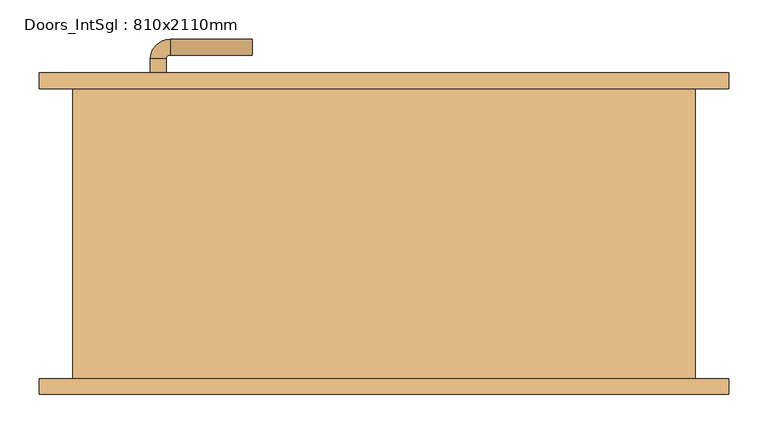
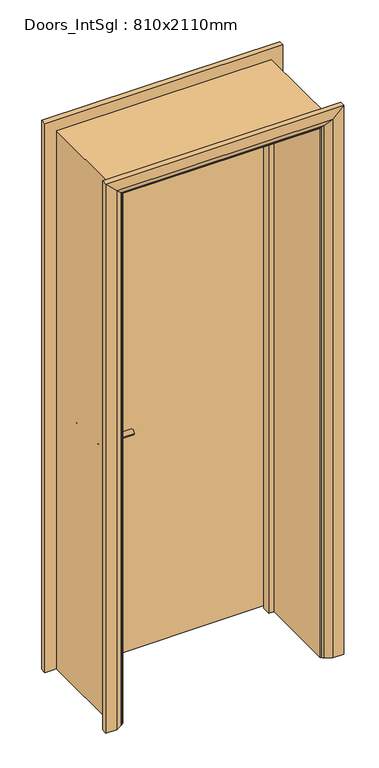
"""IFC4 building model written with IfcOpenShell, lengths in millimetres: door geometry, Doors_IntSgl : 810x2110mm."""

import ifcopenshell
import ifcopenshell.guid

model = None  # the IFC model being written
_history = None  # IfcOwnerHistory: only IFC2X3 demands one
_inside = {}  # id of a spatial element -> (the spatial element, [elements in it])
_under = {}  # id of a project, library or spatial element -> (it, [spatial elements below it])
_declared = {}  # id of a project -> (the project, [libraries it declares])
_typed = {}  # id of a type object -> (the type object, [elements of that type])
_made_of = {}  # id of a material, layer set ... -> (it, [elements and type objects made of it])


def new_model(schema):
    """Start an empty IFC model of exactly this schema.

    Asked for "IFC4X3", IfcOpenShell would pick the latest addendum, in which some entities
    have other attributes; the version numbers below select the first issue.
    IFC2X3 requires an IfcOwnerHistory on every rooted entity: one is made here for all.
    """
    global model, _history
    if schema == "IFC4X3":
        model = ifcopenshell.file(schema_version=(4, 3, 0, 0))
    else:
        model = ifcopenshell.file(schema=schema)
    _inside.clear()
    _under.clear()
    _declared.clear()
    _typed.clear()
    _made_of.clear()
    _history = None
    if model.schema == "IFC2X3":
        org = make("IfcOrganization", Name="unknown")
        user = make(
            "IfcPersonAndOrganization",
            ThePerson=make("IfcPerson", FamilyName="unknown"),
            TheOrganization=org,
        )
        app = make(
            "IfcApplication",
            ApplicationDeveloper=org,
            Version="unknown",
            ApplicationFullName="unknown",
            ApplicationIdentifier="unknown",
        )
        _history = make(
            "IfcOwnerHistory",
            OwningUser=user,
            OwningApplication=app,
            ChangeAction="ADDED",
            CreationDate=0,
        )
    return model


def make(cls, **values):
    """One entity of the class cls with the attributes given. An attribute that is None is left unset."""
    return model.create_entity(
        cls, **{name: value for name, value in values.items() if value is not None}
    )


def rooted(cls, **values):
    """An entity with a GlobalId (a new one), such as an element, a storey or a relation."""
    return make(cls, GlobalId=ifcopenshell.guid.new(), OwnerHistory=_history, **values)


def si_unit(unit_type, name, prefix=None):
    """IfcSIUnit, for example si_unit("LENGTHUNIT", "METRE", prefix="MILLI")."""
    return make("IfcSIUnit", UnitType=unit_type, Prefix=prefix, Name=name)


def assignment(units):
    """IfcUnitAssignment: the units of a project."""
    return None if units is None else make("IfcUnitAssignment", Units=units)


def point(xyz):
    """IfcCartesianPoint."""
    return None if xyz is None else make("IfcCartesianPoint", Coordinates=xyz)


def direction(xyz):
    """IfcDirection."""
    return None if xyz is None else make("IfcDirection", DirectionRatios=xyz)


def frame(location, z_axis=None, x_axis=None):
    """IfcAxis2Placement3D, a coordinate frame: its origin and axes. An axis left out is left unset."""
    return make(
        "IfcAxis2Placement3D",
        Location=point(location),
        Axis=direction(z_axis),
        RefDirection=direction(x_axis),
    )


def frame_2d(location, x_axis=None):
    """IfcAxis2Placement2D, a coordinate frame in the plane: its origin and x axis."""
    return make(
        "IfcAxis2Placement2D", Location=point(location), RefDirection=direction(x_axis)
    )


def origin():
    """The frame at (0, 0, 0) with its axes left unset."""
    return frame((0.0, 0.0, 0.0))


def place(relative_to, where):
    """IfcLocalPlacement: puts the frame where relative to a parent placement (None: the world)."""
    return make(
        "IfcLocalPlacement", PlacementRelTo=relative_to, RelativePlacement=where
    )


def context(
    kind, dimensions, precision=None, world=None, true_north=None, identifier=None
):
    """IfcGeometricRepresentationContext, for example the 3D "Model" context."""
    return make(
        "IfcGeometricRepresentationContext",
        ContextIdentifier=identifier,
        ContextType=kind,
        CoordinateSpaceDimension=dimensions,
        Precision=precision,
        WorldCoordinateSystem=world,
        TrueNorth=true_north,
    )


def project(units=None, contexts=None):
    """IfcProject with its units and contexts."""
    return rooted(
        "IfcProject",
        Name="project",
        RepresentationContexts=contexts,
        UnitsInContext=assignment(units),
    )


def spatial(cls, under=None, at=None, **own):
    """A site, building, storey or space (cls), placed at a placement, below another one or the project."""
    s = rooted(cls, ObjectPlacement=at, **own)
    if under is not None:
        _under.setdefault(under.id(), (under, []))[1].append(s)
    return s


def polyline(points):
    """IfcPolyline through the points."""
    return make("IfcPolyline", Points=[point(p) for p in points])


def circle_curve(where, radius):
    """IfcCircle in the frame where."""
    return make("IfcCircle", Position=where, Radius=radius)


def ellipse_curve(where, semi_axis1, semi_axis2):
    """IfcEllipse in the frame where."""
    return make(
        "IfcEllipse", Position=where, SemiAxis1=semi_axis1, SemiAxis2=semi_axis2
    )


def trimmed(basis, trim1, trim2, sense, master):
    """IfcTrimmedCurve: the piece of a basis curve between two trims."""
    return make(
        "IfcTrimmedCurve",
        BasisCurve=basis,
        Trim1=trim1,
        Trim2=trim2,
        SenseAgreement=sense,
        MasterRepresentation=master,
    )


def segment(curve, same_sense, transition):
    """IfcCompositeCurveSegment."""
    return make(
        "IfcCompositeCurveSegment",
        Transition=transition,
        SameSense=same_sense,
        ParentCurve=curve,
    )


def composite_curve(segments, self_intersect=None):
    """IfcCompositeCurve: segments joined end to end."""
    return make("IfcCompositeCurve", Segments=segments, SelfIntersect=self_intersect)


def outline(outer, holes=None, kind="AREA"):
    """IfcArbitraryClosedProfileDef: a profile drawn as a closed curve; with holes, ...WithVoids."""
    if holes is None:
        return make("IfcArbitraryClosedProfileDef", ProfileType=kind, OuterCurve=outer)
    return make(
        "IfcArbitraryProfileDefWithVoids",
        ProfileType=kind,
        OuterCurve=outer,
        InnerCurves=holes,
    )


def extrude(swept, where, along, depth):
    """IfcExtrudedAreaSolid: the profile swept, set in the frame where, extruded along a direction by depth."""
    return make(
        "IfcExtrudedAreaSolid",
        SweptArea=swept,
        Position=where,
        ExtrudedDirection=direction(along),
        Depth=depth,
    )


def faces_of(points, faces, orient=None, outer=None):
    """IfcFace entities. A face is a list of loops; a loop is a list of indices into points, from 0.

    orient and outer hold one flag for each loop. By default every Orientation is true, the
    first loop of a face is its IfcFaceOuterBound and the others are IfcFaceBound.
    """
    made = []
    for i, loops in enumerate(faces):
        bounds = []
        for j, loop in enumerate(loops):
            is_outer = j == 0 if outer is None else outer[i][j]
            bounds.append(
                make(
                    "IfcFaceOuterBound" if is_outer else "IfcFaceBound",
                    Bound=make("IfcPolyLoop", Polygon=[points[k] for k in loop]),
                    Orientation=True if orient is None else orient[i][j],
                )
            )
        made.append(make("IfcFace", Bounds=bounds))
    return made


def faceted_brep(points, faces, orient=None, outer=None, voids=None):
    """IfcFacetedBrep: a solid bounded by flat faces; with voids (closed shells), ...WithVoids."""
    shared = [point(p) for p in points]
    hull = make("IfcClosedShell", CfsFaces=faces_of(shared, faces, orient, outer))
    if voids is None:
        return make("IfcFacetedBrep", Outer=hull)
    return make(
        "IfcFacetedBrepWithVoids",
        Outer=hull,
        Voids=[
            make(cls, CfsFaces=faces_of(shared, fs, o, b)) for cls, fs, o, b in voids
        ],
    )


def shape(context_of_items, identifier, shape_type, items):
    """IfcShapeRepresentation: the items that make up one representation, for example the "Body"."""
    return make(
        "IfcShapeRepresentation",
        ContextOfItems=context_of_items,
        RepresentationIdentifier=identifier,
        RepresentationType=shape_type,
        Items=items,
    )


def source(mapping_origin, context_of_items, identifier, shape_type, items):
    """IfcRepresentationMap: a shape defined once, which mapped items show again and again."""
    return make(
        "IfcRepresentationMap",
        MappingOrigin=mapping_origin,
        MappedRepresentation=shape(context_of_items, identifier, shape_type, items),
    )


def transform(
    local_origin,
    x_axis=None,
    y_axis=None,
    z_axis=None,
    scale=None,
    scale2=None,
    scale3=None,
    uniform=True,
):
    """IfcCartesianTransformationOperator3D, or its non-uniform kind. x_axis, y_axis, z_axis: its Axis1, 2, 3."""
    if uniform:
        return make(
            "IfcCartesianTransformationOperator3D",
            Axis1=direction(x_axis),
            Axis2=direction(y_axis),
            LocalOrigin=point(local_origin),
            Scale=scale,
            Axis3=direction(z_axis),
        )
    return make(
        "IfcCartesianTransformationOperator3DnonUniform",
        Axis1=direction(x_axis),
        Axis2=direction(y_axis),
        LocalOrigin=point(local_origin),
        Scale=scale,
        Axis3=direction(z_axis),
        Scale2=scale2,
        Scale3=scale3,
    )


def mapped(mapping_source, mapping_target):
    """IfcMappedItem: shows the shape of a source again, moved by a transform."""
    return make(
        "IfcMappedItem", MappingSource=mapping_source, MappingTarget=mapping_target
    )


def made_of(thing, what):
    """Note that an element or type object is made of a material, layer set ...; save() writes the relation."""
    if what is not None:
        _made_of.setdefault(what.id(), (what, []))[1].append(thing)
    return thing


def element(
    cls,
    number,
    at=None,
    inside=None,
    cuts=None,
    type_object=None,
    material=None,
    context=None,
    identifier="Body",
    shape_type=None,
    held_by="IfcProductDefinitionShape",
    body=None,
    shapes=None,
    **own,
):
    """One element of the class cls, such as IfcWall. Its Tag is "e" and its number.

    at: its placement. inside: the storey or other place that contains it. cuts: it is an
    opening in that element (IfcRelVoidsElement). A single representation is given by context,
    identifier, shape_type and body (its items); several are given by shapes. held_by: the class
    of the entity that holds the representations. save() writes the other relations.
    """
    e = rooted(cls, Tag="e%d" % number, ObjectPlacement=at, **own)
    if body is not None:
        shapes = [shape(context, identifier, shape_type, body)]
    if shapes is not None:
        e.Representation = make(held_by, Representations=shapes)
    if inside is not None:
        _inside.setdefault(inside.id(), (inside, []))[1].append(e)
    if cuts is not None:
        rooted(
            "IfcRelVoidsElement", RelatingBuildingElement=cuts, RelatedOpeningElement=e
        )
    if type_object is not None:
        _typed.setdefault(type_object.id(), (type_object, []))[1].append(e)
    return made_of(e, material)


def aggregate(whole, parts):
    """IfcRelAggregates: a whole, such as a stair, and the parts it consists of."""
    return rooted("IfcRelAggregates", RelatingObject=whole, RelatedObjects=parts)


def save(model, path):
    """Write the relations noted so far, then the file.

    IfcRelAggregates (storeys below a building ...), IfcRelContainedInSpatialStructure (elements
    in a storey), IfcRelDefinesByType, IfcRelAssociatesMaterial and IfcRelDeclares: one each for
    every whole, place, type object, material and project.
    """
    for whole, parts in _under.values():
        aggregate(whole, parts)
    for where, things in _inside.values():
        rooted(
            "IfcRelContainedInSpatialStructure",
            RelatedElements=things,
            RelatingStructure=where,
        )
    for kind, things in _typed.values():
        rooted("IfcRelDefinesByType", RelatedObjects=things, RelatingType=kind)
    for what, things in _made_of.values():
        rooted("IfcRelAssociatesMaterial", RelatedObjects=things, RelatingMaterial=what)
    for by, libraries in _declared.values():
        rooted("IfcRelDeclares", RelatingContext=by, RelatedDefinitions=libraries)
    model.write(path)


def plane_surface(at):
    """IfcPlane: the flat surface through the origin of the frame at, square to its z axis."""
    return make("IfcPlane", Position=at)


def cylinder_surface(at, radius):
    """IfcCylindricalSurface: all points at the distance radius from the z axis of the frame at."""
    return make("IfcCylindricalSurface", Position=at, Radius=radius)


def revolved_surface(curve, axis_point, axis_direction):
    """IfcSurfaceOfRevolution: the curve turned about the line through axis_point along axis_direction."""
    return make(
        "IfcSurfaceOfRevolution",
        SweptCurve=make("IfcArbitraryOpenProfileDef", ProfileType="CURVE", Curve=curve),
        AxisPosition=make("IfcAxis1Placement", Location=point(axis_point), Axis=direction(axis_direction)),
    )


def advanced_brep(points, edges, surfaces, faces):
    """IfcAdvancedBrep: a solid bounded by faces that lie on surfaces and meet in shared edges.

    An edge is (start, end): straight between two places in points (the first is 0);
    or (start, end, curve); or (start, end, curve, False) where it runs against its curve.
    A face is (place in surfaces, loops), or (place, loops, False) where it looks against
    its surface's normal. A loop lists edges by number (the first is 1), with a minus sign
    where the edge is run from its end to its start. The first loop is the outer one.
    """
    corners = [point(p) for p in points]
    vertices = [make("IfcVertexPoint", VertexGeometry=c) for c in corners]
    made = []
    for start, end, *more in edges:
        made.append(
            make(
                "IfcEdgeCurve",
                EdgeStart=vertices[start],
                EdgeEnd=vertices[end],
                EdgeGeometry=more[0] if more else make("IfcPolyline", Points=[corners[start], corners[end]]),
                SameSense=more[1] if len(more) > 1 else True,
            )
        )
    hull = []
    for where, loops, *sense in faces:
        bounds = []
        for j, loop in enumerate(loops):
            ring = [make("IfcOrientedEdge", EdgeElement=made[abs(k) - 1], Orientation=k > 0) for k in loop]
            bounds.append(
                make(
                    "IfcFaceOuterBound" if j == 0 else "IfcFaceBound",
                    Bound=make("IfcEdgeLoop", EdgeList=ring),
                    Orientation=True,
                )
            )
        hull.append(make("IfcAdvancedFace", Bounds=bounds, FaceSurface=surfaces[where], SameSense=sense[0] if sense else True))
    return make("IfcAdvancedBrep", Outer=make("IfcClosedShell", CfsFaces=hull))


def doors_intsgl_810x2110mm_fe794202(model_context):
    return source(origin(), model_context, "Body", "SolidModel", [
        advanced_brep(
        [(-298.0, 139.0, 900.0), (-278.0, 139.0, 900.0), (-278.0, 109.0, 900.0), (-298.0, 109.0, 900.0), (-273.0, 104.0, 900.0), (-273.0, 84.0, 900.0), (-168.0, 84.0, 900.0), (-168.0, 104.0, 900.0)],
        [
            (0, 1, circle_curve(frame((-288.0, 139.0, 900.0), z_axis=(0.0, 1.0, 0.0), x_axis=(1.0, 0.0, 0.0)), 10.0)),
            (1, 0, circle_curve(frame((-288.0, 139.0, 900.0), z_axis=(0.0, 1.0, 0.0), x_axis=(1.0, 0.0, 0.0)), 10.0)),
            (1, 2),
            (2, 3, circle_curve(frame((-288.0, 109.0, 900.0), z_axis=(0.0, 1.0, 0.0), x_axis=(1.0, 0.0, 0.0)), 10.0)),
            (3, 0),
            (3, 2, circle_curve(frame((-288.0, 109.0, 900.0), z_axis=(0.0, 1.0, 0.0), x_axis=(1.0, 0.0, 0.0)), 10.0)),
            (4, 5, circle_curve(frame((-273.0, 94.0, 900.0), z_axis=(-1.0, 0.0, 0.0), x_axis=(0.0, 1.0, 0.0)), 10.0)),
            (5, 3, circle_curve(frame((-273.0, 109.0, 900.0), z_axis=(0.0, 0.0, -1.0), x_axis=(-1.0, 0.0, 0.0)), 25.0)),
            (2, 4, circle_curve(frame((-273.0, 109.0, 900.0), z_axis=(0.0, 0.0, 1.0), x_axis=(-1.0, 0.0, 0.0)), 5.0)),
            (5, 4, circle_curve(frame((-273.0, 94.0, 900.0), z_axis=(-1.0, 0.0, 0.0), x_axis=(0.0, 1.0, 0.0)), 10.0)),
            (6, 7, circle_curve(frame((-168.0, 94.0, 900.0), z_axis=(1.0, 0.0, 0.0), x_axis=(0.0, 1.0, 0.0)), 10.0)),
            (7, 6, circle_curve(frame((-168.0, 94.0, 900.0), z_axis=(1.0, 0.0, 0.0), x_axis=(0.0, 1.0, 0.0)), 10.0)),
            (4, 7),
            (6, 5),
        ],
        [
            plane_surface(frame((-288.0, 139.0, 900.0), z_axis=(0.0, 1.0, 0.0), x_axis=(0.0, 0.0, 1.0))),
            cylinder_surface(frame((-288.0, 139.0, 900.0), z_axis=(0.0, 1.0, 0.0), x_axis=(1.0, 0.0, 0.0)), 10.0),
            revolved_surface(trimmed(ellipse_curve(frame((-288.0, 109.0, 900.0), z_axis=(0.0, -1.0, 0.0), x_axis=(1.0, 0.0, 0.0)), 10.0, 10.0), [point((-298.0, 109.0, 900.0))], [point((-278.0, 109.0, 900.0))], True, "CARTESIAN"), (-273.0, 109.0, 900.0), (0.0, 0.0, -1.0)),
            revolved_surface(trimmed(ellipse_curve(frame((-288.0, 109.0, 900.0), z_axis=(0.0, -1.0, 0.0), x_axis=(1.0, 0.0, 0.0)), 10.0, 10.0), [point((-278.0, 109.0, 900.0))], [point((-298.0, 109.0, 900.0))], True, "CARTESIAN"), (-273.0, 109.0, 900.0), (0.0, 0.0, -1.0)),
            plane_surface(frame((-168.0, 94.0, 900.0), z_axis=(1.0, 0.0, 0.0), x_axis=(0.0, 0.0, 1.0))),
            cylinder_surface(frame((-273.0, 94.0, 900.0), z_axis=(-1.0, 0.0, 0.0), x_axis=(0.0, 1.0, 0.0)), 10.0),
        ],
        [
            (0, [[1, 2]]),
            (1, [[3, 4, 5, -2]]),
            (1, [[-5, 6, -3, -1]]),
            (2, [[7, 8, -4, 9]]),
            (3, [[10, -9, -6, -8]]),
            (4, [[11, 12]]),
            (5, [[13, -11, 14, -7]]),
            (5, [[-14, -12, -13, -10]]),
        ],
    ),
        extrude(outline(composite_curve([segment(trimmed(circle_curve(frame_2d((900.0, -290.5)), 30.0), [point((900.0, -320.5))], [point((900.0, -260.5))], False, "CARTESIAN"), True, "CONTINUOUS"), segment(trimmed(circle_curve(frame_2d((900.0, -290.5)), 30.0), [point((900.0, -260.5))], [point((900.0, -320.5))], False, "CARTESIAN"), True, "CONTINUOUS")], self_intersect=False)), frame((0.0, 139.0, 0.0), z_axis=(0.0, 1.0, 0.0), x_axis=(0.0, 0.0, 1.0)), (0.0, 0.0, 1.0), 8.0),
        advanced_brep(
        [(-298.0, 193.0, 900.0), (-278.0, 193.0, 900.0), (-298.0, 223.0, 900.0), (-278.0, 223.0, 900.0), (-273.0, 228.0, 900.0), (-273.0, 248.0, 900.0), (-168.0, 248.0, 900.0), (-168.0, 228.0, 900.0)],
        [
            (0, 1, circle_curve(frame((-288.0, 193.0, 900.0), z_axis=(0.0, -1.0, 0.0), x_axis=(1.0, 0.0, 0.0)), 10.0)),
            (1, 0, circle_curve(frame((-288.0, 193.0, 900.0), z_axis=(0.0, -1.0, 0.0), x_axis=(1.0, 0.0, 0.0)), 10.0)),
            (0, 2),
            (2, 3, circle_curve(frame((-288.0, 223.0, 900.0), z_axis=(0.0, -1.0, 0.0), x_axis=(1.0, 0.0, 0.0)), 10.0)),
            (3, 1),
            (3, 2, circle_curve(frame((-288.0, 223.0, 900.0), z_axis=(0.0, -1.0, 0.0), x_axis=(1.0, 0.0, 0.0)), 10.0)),
            (4, 3, circle_curve(frame((-273.0, 223.0, 900.0), z_axis=(0.0, 0.0, 1.0), x_axis=(-1.0, 0.0, 0.0)), 5.0)),
            (2, 5, circle_curve(frame((-273.0, 223.0, 900.0), z_axis=(0.0, 0.0, -1.0), x_axis=(-1.0, 0.0, 0.0)), 25.0)),
            (5, 4, circle_curve(frame((-273.0, 238.0, 900.0), z_axis=(-1.0, 0.0, 0.0), x_axis=(0.0, -1.0, 0.0)), 10.0)),
            (4, 5, circle_curve(frame((-273.0, 238.0, 900.0), z_axis=(-1.0, 0.0, 0.0), x_axis=(0.0, -1.0, 0.0)), 10.0)),
            (6, 7, circle_curve(frame((-168.0, 238.0, 900.0), z_axis=(1.0, 0.0, 0.0), x_axis=(0.0, -1.0, 0.0)), 10.0)),
            (7, 6, circle_curve(frame((-168.0, 238.0, 900.0), z_axis=(1.0, 0.0, 0.0), x_axis=(0.0, -1.0, 0.0)), 10.0)),
            (5, 6),
            (7, 4),
        ],
        [
            plane_surface(frame((-288.0, 193.0, 900.0), z_axis=(0.0, -1.0, 0.0), x_axis=(0.0, 0.0, 1.0))),
            cylinder_surface(frame((-288.0, 193.0, 900.0), z_axis=(0.0, -1.0, 0.0), x_axis=(1.0, 0.0, 0.0)), 10.0),
            revolved_surface(trimmed(ellipse_curve(frame((-288.0, 223.0, 900.0), z_axis=(0.0, -1.0, 0.0), x_axis=(1.0, 0.0, 0.0)), 10.0, 10.0), [point((-298.0, 223.0, 900.0))], [point((-278.0, 223.0, 900.0))], True, "CARTESIAN"), (-273.0, 223.0, 900.0), (0.0, 0.0, -1.0)),
            revolved_surface(trimmed(ellipse_curve(frame((-288.0, 223.0, 900.0), z_axis=(0.0, -1.0, 0.0), x_axis=(1.0, 0.0, 0.0)), 10.0, 10.0), [point((-278.0, 223.0, 900.0))], [point((-298.0, 223.0, 900.0))], True, "CARTESIAN"), (-273.0, 223.0, 900.0), (0.0, 0.0, -1.0)),
            plane_surface(frame((-168.0, 238.0, 900.0), z_axis=(1.0, 0.0, 0.0), x_axis=(0.0, 0.0, 1.0))),
            cylinder_surface(frame((-273.0, 238.0, 900.0), z_axis=(-1.0, 0.0, 0.0), x_axis=(0.0, -1.0, 0.0)), 10.0),
        ],
        [
            (0, [[1, 2]]),
            (1, [[-1, 3, 4, 5]]),
            (1, [[-2, -5, 6, -3]]),
            (2, [[7, -4, 8, 9]]),
            (3, [[-8, -6, -7, 10]]),
            (4, [[11, 12]]),
            (5, [[-9, 13, -12, 14]]),
            (5, [[-10, -14, -11, -13]]),
        ],
    ),
        extrude(outline(composite_curve([segment(trimmed(circle_curve(frame_2d((900.0, -290.5)), 30.0), [point((900.0, -320.5))], [point((900.0, -260.5))], False, "CARTESIAN"), True, "CONTINUOUS"), segment(trimmed(circle_curve(frame_2d((900.0, -290.5)), 30.0), [point((900.0, -260.5))], [point((900.0, -320.5))], False, "CARTESIAN"), True, "CONTINUOUS")], self_intersect=False)), frame((0.0, 185.0, 0.0), z_axis=(0.0, 1.0, 0.0), x_axis=(0.0, 0.0, 1.0)), (0.0, 0.0, 1.0), 8.0),
        extrude(outline(polyline([(363.0, 147.0), (-363.0, 147.0), (-363.0, 185.0), (363.0, 185.0), (363.0, 147.0)])), frame((0.0, 0.0, 8.0), z_axis=(0.0, 0.0, 1.0), x_axis=(1.0, 0.0, 0.0)), (0.0, 0.0, 1.0), 2060.0),
        advanced_brep(
        [(440.0, 205.0, 0.0), (440.0, 185.0, 0.0), (370.0, 185.0, 0.0), (374.0, 191.0, 0.0), (400.0, 205.0, 0.0), (440.0, 205.0, 2145.0), (440.0, 185.0, 2145.0), (-440.0, 185.0, 2145.0), (-440.0, 185.0, 0.0), (-370.0, 185.0, 0.0), (-370.0, 185.0, 2075.0), (370.0, 185.0, 2075.0), (374.0, 191.0, 2079.0), (400.0, 205.0, 2105.0), (-400.0, 205.0, 2105.0), (-400.0, 205.0, 0.0), (-440.0, 205.0, 0.0), (-440.0, 205.0, 2145.0), (-374.0, 191.0, 2079.0), (-374.0, 191.0, 0.0)],
        [
            (0, 1),
            (1, 2),
            (2, 3, circle_curve(frame((378.0, 184.0, 0.0), z_axis=(0.0, 0.0, -1.0), x_axis=(1.0, 0.0, 0.0)), 8.0622577)),
            (3, 4),
            (4, 0),
            (0, 5),
            (5, 6),
            (6, 1),
            (6, 7),
            (7, 8),
            (8, 9),
            (9, 10),
            (10, 11),
            (11, 2),
            (11, 12, ellipse_curve(frame((378.0, 184.0, 2083.0), z_axis=(0.7071067811865475, 0.0, -0.7071067811865475), x_axis=(-0.7071067811865474, 0.0, -0.7071067811865476)), 11.4017543, 8.0622577)),
            (12, 3),
            (12, 13),
            (13, 4),
            (13, 14),
            (14, 15),
            (15, 16),
            (16, 17),
            (17, 5),
            (17, 7),
            (10, 18, ellipse_curve(frame((-378.0, 184.0, 2083.0), z_axis=(0.7071067811865475, 0.0, 0.7071067811865475), x_axis=(0.7071067811865476, 0.0, -0.7071067811865474)), 11.4017543, 8.0622577)),
            (18, 12),
            (18, 14),
            (15, 19),
            (19, 9, circle_curve(frame((-378.0, 184.0, 0.0), z_axis=(0.0, 0.0, -1.0), x_axis=(-1.0, 0.0, 0.0)), 8.0622577)),
            (8, 16),
            (19, 18),
        ],
        [
            plane_surface(frame((370.0, 185.0, 0.0), z_axis=(0.0, 0.0, -1.0), x_axis=(0.0, -1.0, 0.0))),
            plane_surface(frame((440.0, 205.0, 0.0), z_axis=(1.0, 0.0, 0.0), x_axis=(0.0, 0.0, 1.0))),
            plane_surface(frame((440.0, 185.0, 0.0), z_axis=(0.0, -1.0, 0.0), x_axis=(0.0, 0.0, 1.0))),
            cylinder_surface(frame((378.0, 184.0, 0.0), z_axis=(0.0, 0.0, -1.0), x_axis=(1.0, 0.0, 0.0)), 8.0622577),
            plane_surface(frame((374.0, 191.0, 0.0), z_axis=(-0.4740998230350126, 0.880471099922178, 0.0), x_axis=(0.0, 0.0, 1.0))),
            plane_surface(frame((400.0, 205.0, 0.0), z_axis=(0.0, 1.0, 0.0), x_axis=(0.0, 0.0, 1.0))),
            plane_surface(frame((440.0, 205.0, 2145.0), z_axis=(0.0, 0.0, 1.0), x_axis=(-1.0, 0.0, 0.0))),
            cylinder_surface(frame((370.0, 184.0, 2083.0), z_axis=(1.0, 0.0, 0.0), x_axis=(0.0, 0.0, 1.0)), 8.0622577),
            plane_surface(frame((374.0, 191.0, 2079.0), z_axis=(0.0, 0.8804710999221764, -0.4740998230350154), x_axis=(-1.0, 0.0, 0.0))),
            plane_surface(frame((-370.0, 185.0, 0.0), z_axis=(0.0, 0.0, -1.0), x_axis=(0.0, -1.0, 0.0))),
            plane_surface(frame((-440.0, 205.0, 2145.0), z_axis=(-1.0, 0.0, 0.0), x_axis=(0.0, 0.0, -1.0))),
            cylinder_surface(frame((-378.0, 184.0, 2075.0), z_axis=(0.0, 0.0, 1.0), x_axis=(-1.0, 0.0, 0.0)), 8.0622577),
            plane_surface(frame((-374.0, 191.0, 2079.0), z_axis=(0.47409982303501824, 0.8804710999221749, 0.0), x_axis=(0.0, 0.0, -1.0))),
        ],
        [
            (0, [[1, 2, 3, 4, 5]]),
            (1, [[-1, 6, 7, 8]]),
            (2, [[-2, -8, 9, 10, 11, 12, 13, 14]]),
            (3, [[-3, -14, 15, 16]]),
            (4, [[-4, -16, 17, 18]]),
            (5, [[-5, -18, 19, 20, 21, 22, 23, -6]]),
            (6, [[-7, -23, 24, -9]]),
            (7, [[-15, -13, 25, 26]]),
            (8, [[-17, -26, 27, -19]]),
            (9, [[-21, 28, 29, -11, 30]]),
            (10, [[-24, -22, -30, -10]]),
            (11, [[-25, -12, -29, 31]]),
            (12, [[-27, -31, -28, -20]]),
        ],
    ),
        extrude(outline(polyline([(0.0, -365.0), (0.0, -346.0), (2051.0, -346.0), (2051.0, 346.0), (0.0, 346.0), (0.0, 365.0), (2070.0, 365.0), (2070.0, -365.0), (0.0, -365.0)])), frame((0.0, 113.0, 0.0), z_axis=(0.0, 1.0, 0.0), x_axis=(0.0, 0.0, 1.0)), (0.0, 0.0, 1.0), 32.0),
        advanced_brep(
        [(-440.0, -205.0, 0.0), (-440.0, -185.0, 0.0), (-370.0, -185.0, 0.0), (-374.0, -191.0, 0.0), (-400.0, -205.0, 0.0), (-440.0, -205.0, 2145.0), (-440.0, -185.0, 2145.0), (-370.0, -185.0, 2075.0), (-374.0, -191.0, 2079.0), (-400.0, -205.0, 2105.0), (440.0, -205.0, 2145.0), (440.0, -185.0, 2145.0), (370.0, -185.0, 2075.0), (374.0, -191.0, 2079.0), (400.0, -205.0, 2105.0), (440.0, -205.0, 0.0), (400.0, -205.0, 0.0), (374.0, -191.0, 0.0), (370.0, -185.0, 0.0), (440.0, -185.0, 0.0)],
        [
            (0, 1),
            (1, 2),
            (2, 3, circle_curve(frame((-378.0, -184.0, 0.0), z_axis=(0.0, 0.0, -1.0), x_axis=(-1.0, 0.0, 0.0)), 8.0622577)),
            (3, 4),
            (4, 0),
            (0, 5),
            (5, 6),
            (6, 1),
            (6, 7),
            (7, 2),
            (7, 8, ellipse_curve(frame((-378.0, -184.0, 2083.0), z_axis=(-0.7071067811865475, 0.0, -0.7071067811865475), x_axis=(0.7071067811865474, 0.0, -0.7071067811865476)), 11.4017543, 8.0622577)),
            (8, 3),
            (8, 9),
            (9, 4),
            (9, 5),
            (5, 10),
            (10, 11),
            (11, 6),
            (11, 12),
            (12, 7),
            (12, 13, ellipse_curve(frame((378.0, -184.0, 2083.0), z_axis=(-0.7071067811865475, 0.0, 0.7071067811865475), x_axis=(-0.7071067811865476, 0.0, -0.7071067811865474)), 11.4017543, 8.0622577)),
            (13, 8),
            (13, 14),
            (14, 9),
            (14, 10),
            (15, 16),
            (16, 17),
            (17, 18, circle_curve(frame((378.0, -184.0, 0.0), z_axis=(0.0, 0.0, -1.0), x_axis=(1.0, 0.0, 0.0)), 8.0622577)),
            (18, 19),
            (19, 15),
            (10, 15),
            (19, 11),
            (18, 12),
            (17, 13),
            (16, 14),
        ],
        [
            plane_surface(frame((-370.0, -257.8010989, 0.0), z_axis=(0.0, 0.0, -1.0), x_axis=(1.0, 0.0, 0.0))),
            plane_surface(frame((-440.0, -205.0, 0.0), z_axis=(-1.0, 0.0, 0.0), x_axis=(0.0, 0.0, 1.0))),
            plane_surface(frame((-440.0, -185.0, 0.0), z_axis=(0.0, 1.0, 0.0), x_axis=(0.0, 0.0, 1.0))),
            cylinder_surface(frame((-378.0, -184.0, 0.0), z_axis=(0.0, 0.0, -1.0), x_axis=(-1.0, 0.0, 0.0)), 8.0622577),
            plane_surface(frame((-374.0, -191.0, 0.0), z_axis=(0.4740998230350183, -0.8804710999221749, 0.0), x_axis=(0.0, 0.0, 1.0))),
            plane_surface(frame((-400.0, -205.0, 0.0), z_axis=(0.0, -1.0, 0.0), x_axis=(0.0, 0.0, 1.0))),
            plane_surface(frame((-440.0, -205.0, 2145.0), z_axis=(0.0, 0.0, 1.0), x_axis=(1.0, 0.0, 0.0))),
            plane_surface(frame((-440.0, -185.0, 2145.0), z_axis=(0.0, 1.0, 0.0), x_axis=(1.0, 0.0, 0.0))),
            cylinder_surface(frame((-370.0, -184.0, 2083.0), z_axis=(-1.0, 0.0, 0.0), x_axis=(0.0, 0.0, 1.0)), 8.0622577),
            plane_surface(frame((-374.0, -191.0, 2079.0), z_axis=(0.0, -0.8804710999221749, -0.4740998230350183), x_axis=(1.0, 0.0, 0.0))),
            plane_surface(frame((-400.0, -205.0, 2105.0), z_axis=(0.0, -1.0, 0.0), x_axis=(1.0, 0.0, 0.0))),
            plane_surface(frame((370.0, -257.8010989, 0.0), z_axis=(0.0, 0.0, -1.0), x_axis=(-1.0, 0.0, 0.0))),
            plane_surface(frame((440.0, -205.0, 2145.0), z_axis=(1.0, 0.0, 0.0), x_axis=(0.0, 0.0, -1.0))),
            plane_surface(frame((440.0, -185.0, 2145.0), z_axis=(0.0, 1.0, 0.0), x_axis=(0.0, 0.0, -1.0))),
            cylinder_surface(frame((378.0, -184.0, 2075.0), z_axis=(0.0, 0.0, 1.0), x_axis=(1.0, 0.0, 0.0)), 8.0622577),
            plane_surface(frame((374.0, -191.0, 2079.0), z_axis=(-0.4740998230350183, -0.8804710999221749, 0.0), x_axis=(0.0, 0.0, -1.0))),
            plane_surface(frame((400.0, -205.0, 2105.0), z_axis=(0.0, -1.0, 0.0), x_axis=(0.0, 0.0, -1.0))),
        ],
        [
            (0, [[1, 2, 3, 4, 5]]),
            (1, [[-1, 6, 7, 8]]),
            (2, [[-2, -8, 9, 10]]),
            (3, [[-3, -10, 11, 12]]),
            (4, [[-4, -12, 13, 14]]),
            (5, [[-5, -14, 15, -6]]),
            (6, [[-7, 16, 17, 18]]),
            (7, [[-9, -18, 19, 20]]),
            (8, [[-11, -20, 21, 22]]),
            (9, [[-13, -22, 23, 24]]),
            (10, [[-15, -24, 25, -16]]),
            (11, [[26, 27, 28, 29, 30]]),
            (12, [[-17, 31, -30, 32]]),
            (13, [[-19, -32, -29, 33]]),
            (14, [[-21, -33, -28, 34]]),
            (15, [[-23, -34, -27, 35]]),
            (16, [[-25, -35, -26, -31]]),
        ],
    ),
        faceted_brep([(-365.0, 185.0, 0.0), (-365.0, -185.0, 0.0), (-397.0, -185.0, 0.0), (-397.0, 185.0, 0.0), (-365.0, 185.0, 2070.0), (-365.0, -185.0, 2070.0), (-397.0, -185.0, 2102.0), (-397.0, 185.0, 2102.0), (365.0, 185.0, 2070.0), (365.0, -185.0, 2070.0), (397.0, -185.0, 2102.0), (397.0, 185.0, 2102.0), (365.0, 185.0, 0.0), (397.0, 185.0, 0.0), (397.0, -185.0, 0.0), (365.0, -185.0, 0.0)], [[[0, 1, 2, 3]], [[1, 0, 4, 5]], [[2, 1, 5, 6]], [[3, 2, 6, 7]], [[0, 3, 7, 4]], [[5, 4, 8, 9]], [[6, 5, 9, 10]], [[7, 6, 10, 11]], [[4, 7, 11, 8]], [[12, 13, 14, 15]], [[9, 8, 12, 15]], [[10, 9, 15, 14]], [[11, 10, 14, 13]], [[8, 11, 13, 12]]]),
    ])


if __name__ == "__main__":
    model = new_model("IFC4")
    model_context = context("Model", 3, world=origin())
    ifc_project = project(units=[si_unit("LENGTHUNIT", "METRE", prefix="MILLI")], contexts=[model_context])
    site = spatial("IfcSite", under=ifc_project)
    building = spatial("IfcBuilding", under=site)
    placement = place(None, origin())
    doors_intsgl_810x2110mm_shape = doors_intsgl_810x2110mm_fe794202(model_context)
    element("IfcDoor", 1, ObjectType="Doors_IntSgl : 810x2110mm", at=placement, inside=building, context=model_context, shape_type="MappedRepresentation", body=[
        mapped(doors_intsgl_810x2110mm_shape, transform((0.0, 0.0, 0.0), x_axis=(1.0, 0.0, 0.0), y_axis=(0.0, 1.0, 0.0), z_axis=(0.0, 0.0, 1.0))),
    ])
    save(model, "model.ifc")
